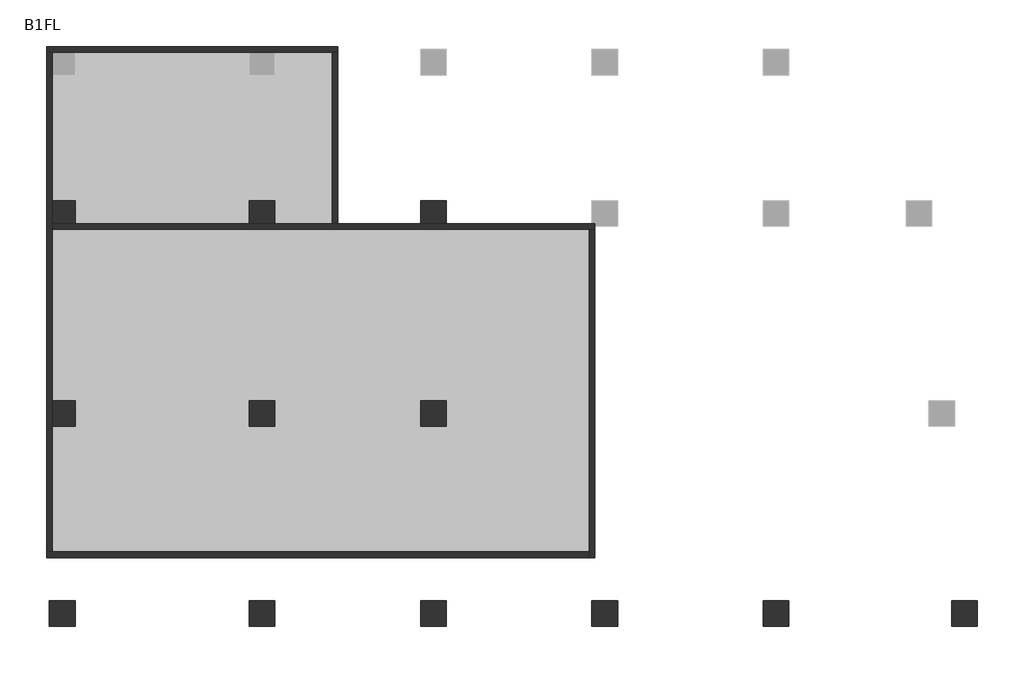
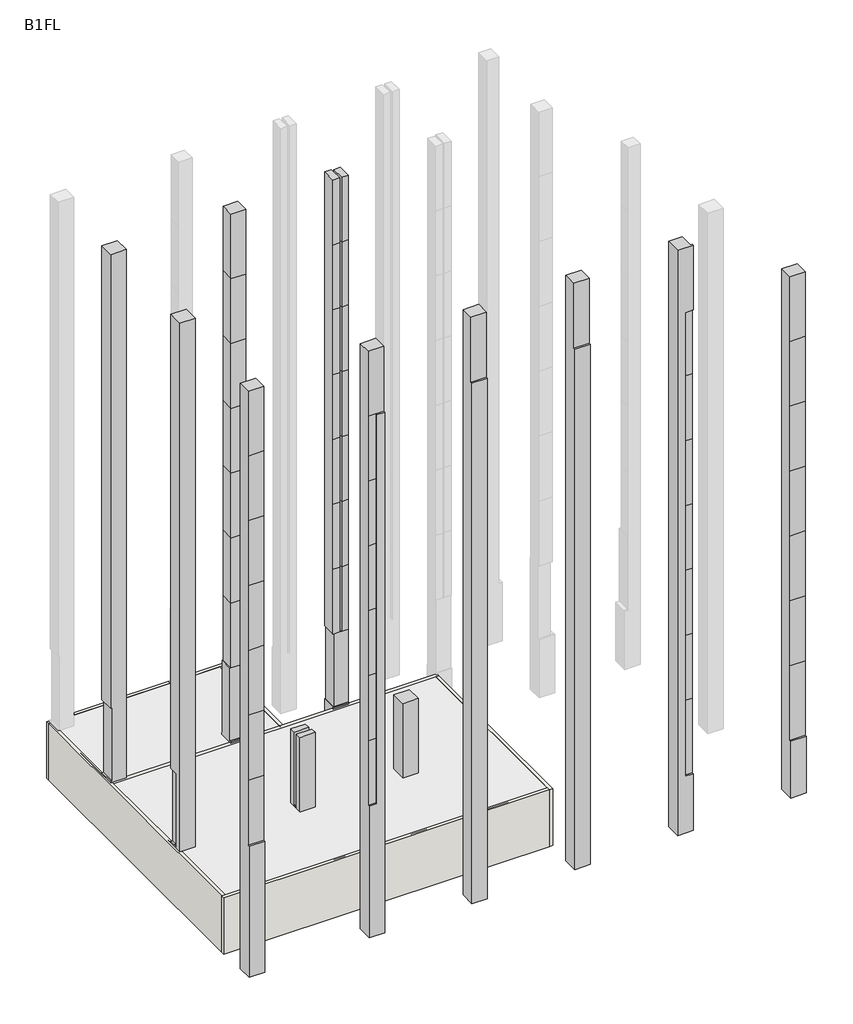
# One storey, part 1 of 2: 12 columns, 6 walls.
"""IFC4 building model written with IfcOpenShell, lengths in millimetres."""

from ifc_helpers import new_model, si_unit, frame, origin, place, context, project, spatial, polyline, outline, extrude, faceted_brep, element, save

model = new_model("IFC4")

# Units and contexts
model_context = context("Model", 3, world=origin())
ifc_project = project(units=[si_unit("LENGTHUNIT", "METRE", prefix="MILLI")], contexts=[model_context])

# Site, building, storey
site = spatial("IfcSite", under=ifc_project)
building = spatial("IfcBuilding", under=site)
storey = spatial("IfcBuildingStorey", under=building, Name="B1FL", Elevation=-3500.0)

# Columns
placement = place(None, origin())
element("IfcColumn", 1, ObjectType="900x900", at=placement, inside=storey, context=model_context, shape_type="Brep", body=[
    faceted_brep([(-27945.9784025, 10449.6868987, 32600.0), (-27945.9784025, 11349.6868987, 32600.0), (-28845.9784025, 11349.6868987, 32600.0), (-28845.9784025, 10449.6868987, 32600.0), (-28745.9784025, 11349.6868987, -3500.0), (-27945.9784025, 11349.6868987, -3500.0), (-27945.9784025, 10549.6868987, -3500.0), (-28745.9784025, 10549.6868987, -3500.0), (-27945.9784025, 10449.6868987, 0.0), (-27945.9784025, 10549.6868987, 0.0), (-27945.9784025, 11349.6868987, 100.0), (-27945.9784025, 11299.6868987, 100.0), (-27945.9784025, 11299.6868987, 4600.0), (-27945.9784025, 11349.6868987, 4600.0), (-28745.9784025, 11349.6868987, 4600.0), (-28845.9784025, 11349.6868987, 4600.0), (-28845.9784025, 10449.6868987, 4600.0), (-28745.9784025, 10449.6868987, 4600.0), (-28745.9784025, 10449.6868987, 100.0), (-28845.9784025, 10449.6868987, 100.0), (-28845.9784025, 10449.6868987, 0.0), (-28745.9784025, 10449.6868987, 0.0), (-28745.9784025, 11299.6868987, 4600.0), (-28745.9784025, 11299.6868987, 100.0), (-28745.9784025, 11349.6868987, 100.0), (-28845.9784025, 11349.6868987, 100.0), (-28845.9784025, 11349.6868987, 0.0), (-28845.9784025, 10549.6868987, 0.0), (-28745.9784025, 11349.6868987, 0.0), (-28745.9784025, 10549.6868987, 0.0)], [[[0, 1, 2, 3]], [[4, 5, 6, 7]], [[1, 0, 8, 9, 6, 5, 10, 11, 12, 13]], [[2, 1, 13, 14, 15]], [[3, 2, 15, 16]], [[0, 3, 16, 17, 18, 19, 20, 21, 8]], [[18, 17, 22, 23]], [[24, 25, 19, 18, 23]], [[15, 14, 22, 17, 16]], [[19, 25, 26, 27, 20]], [[11, 23, 22, 12]], [[23, 11, 10, 24]], [[12, 22, 14, 13]], [[25, 24, 10, 5, 4, 28, 26]], [[28, 4, 7, 29]], [[21, 20, 27, 26, 28, 29]], [[9, 29, 7, 6]], [[29, 9, 8, 21]]]),
])
element("IfcColumn", 2, ObjectType="900x900", at=placement, inside=storey, context=model_context, shape_type="Brep", body=[
    faceted_brep([(-27945.9784025, 3449.6868987, 32600.0), (-27945.9784025, 4349.6868987, 32600.0), (-28845.9784025, 4349.6868987, 32600.0), (-28845.9784025, 3449.6868987, 32600.0), (-27945.9784025, 4349.6868987, -3500.0), (-27945.9784025, 3449.6868987, -3500.0), (-28745.9784025, 3449.6868987, -3500.0), (-28745.9784025, 4349.6868987, -3500.0), (-27945.9784025, 3999.6868987, 4600.0), (-27945.9784025, 3999.6868987, 100.0), (-27945.9784025, 3799.6868987, 100.0), (-27945.9784025, 3799.6868987, 4600.0), (-28745.9784025, 4349.6868987, 0.0), (-28845.9784025, 4349.6868987, 0.0), (-28845.9784025, 4349.6868987, 100.0), (-28745.9784025, 4349.6868987, 100.0), (-28745.9784025, 4349.6868987, 4600.0), (-28845.9784025, 4349.6868987, 4600.0), (-28845.9784025, 3999.6868987, 4600.0), (-28845.9784025, 3799.6868987, 4600.0), (-28845.9784025, 3799.6868987, 100.0), (-28845.9784025, 3999.6868987, 100.0), (-28845.9784025, 3449.6868987, 0.0), (-28745.9784025, 3449.6868987, 0.0), (-28745.9784025, 3999.6868987, 4600.0), (-28745.9784025, 3999.6868987, 100.0)], [[[0, 1, 2, 3]], [[4, 5, 6, 7]], [[1, 0, 5, 4], [8, 9, 10, 11]], [[2, 1, 4, 7, 12, 13, 14, 15, 16, 17]], [[3, 2, 17, 18, 19, 20, 21, 14, 13, 22]], [[0, 3, 22, 23, 6, 5]], [[9, 8, 24, 25]], [[11, 10, 20, 19]], [[10, 9, 25, 21, 20]], [[8, 11, 19, 18, 24]], [[24, 16, 15, 25]], [[25, 15, 14, 21]], [[16, 24, 18, 17]], [[23, 12, 7, 6]], [[12, 23, 22, 13]]]),
])
element("IfcColumn", 3, ObjectType="900x900", at=placement, inside=storey, context=model_context, shape_type="SweptSolid", body=[
    extrude(outline(polyline([(-2650.3131013, -3500.0), (-3550.3131013, -3500.0), (-3550.3131013, 4600.0), (-3450.3131013, 4600.0), (-3450.3131013, 8600.0), (-3450.3131013, 12600.0), (-3450.3131013, 16600.0), (-3450.3131013, 20600.0), (-3450.3131013, 24600.0), (-3450.3131013, 28600.0), (-3450.3131013, 32600.0), (-2650.3131013, 32600.0), (-2650.3131013, -3500.0)])), frame((-28845.9784025, 0.0, 0.0), z_axis=(1.0, 0.0, 0.0), x_axis=(0.0, 1.0, 0.0)), (0.0, 0.0, 1.0), 900.0),
])
element("IfcColumn", 4, ObjectType="900x900", at=placement, inside=storey, context=model_context, shape_type="Brep", body=[
    faceted_brep([(-21795.9784025, 11299.6868987, 32600.0), (-21795.9784025, 10499.6868987, 32600.0), (-20945.9784025, 10499.6868987, 32600.0), (-20945.9784025, 11299.6868987, 32600.0), (-21845.9784025, 11349.6868987, -3500.0), (-20945.9784025, 11349.6868987, -3500.0), (-20945.9784025, 10549.6868987, -3500.0), (-21845.9784025, 10549.6868987, -3500.0), (-20945.9784025, 10499.6868987, 12600.0), (-20945.9784025, 10499.6868987, 8600.0), (-20945.9784025, 10499.6868987, 4600.0), (-20945.9784025, 10524.6868987, 4600.0), (-20945.9784025, 11299.6868987, 4600.0), (-20945.9784025, 11299.6868987, 8600.0), (-20945.9784025, 11299.6868987, 12600.0), (-20945.9784025, 11299.6868987, 16600.0), (-20945.9784025, 11299.6868987, 20600.0), (-20945.9784025, 11299.6868987, 24600.0), (-20945.9784025, 11299.6868987, 28600.0), (-20945.9784025, 10499.6868987, 28600.0), (-20945.9784025, 10499.6868987, 24600.0), (-20945.9784025, 10499.6868987, 20600.0), (-20945.9784025, 10499.6868987, 16600.0), (-21795.9784025, 10499.6868987, 12600.0), (-21795.9784025, 10499.6868987, 8600.0), (-20945.9784025, 10449.6868987, 100.0), (-21845.9784025, 10449.6868987, 100.0), (-21845.9784025, 10449.6868987, 0.0), (-20945.9784025, 10449.6868987, 0.0), (-21795.9784025, 11299.6868987, 12600.0), (-21795.9784025, 11299.6868987, 8600.0), (-21845.9784025, 10524.6868987, 100.0), (-21845.9784025, 10524.6868987, 4600.0), (-21845.9784025, 11299.6868987, 4600.0), (-21845.9784025, 11299.6868987, 100.0), (-21845.9784025, 11349.6868987, 100.0), (-21845.9784025, 10549.6868987, 0.0), (-20945.9784025, 11349.6868987, 100.0), (-21795.9784025, 10499.6868987, 4600.0), (-21795.9784025, 11299.6868987, 4600.0), (-21795.9784025, 10524.6868987, 4600.0), (-20995.9784025, 11299.6868987, 4600.0), (-21795.9784025, 10499.6868987, 16600.0), (-21795.9784025, 11299.6868987, 16600.0), (-21795.9784025, 10499.6868987, 20600.0), (-21795.9784025, 11299.6868987, 20600.0), (-21795.9784025, 10499.6868987, 24600.0), (-21795.9784025, 11299.6868987, 24600.0), (-21795.9784025, 10499.6868987, 28600.0), (-21795.9784025, 11299.6868987, 28600.0), (-20995.9784025, 10524.6868987, 100.0), (-20995.9784025, 10524.6868987, 4600.0), (-20945.9784025, 10524.6868987, 100.0), (-20995.9784025, 11299.6868987, 100.0), (-20945.9784025, 11299.6868987, 100.0), (-20945.9784025, 10549.6868987, 0.0)], [[[0, 1, 2, 3]], [[4, 5, 6, 7]], [[8, 9, 10, 11, 12, 13, 14, 15, 16, 17, 18, 3, 2, 19, 20, 21, 22]], [[9, 8, 23, 24]], [[25, 26, 27, 28]], [[24, 23, 29, 30]], [[31, 32, 33, 34, 35, 4, 7, 36, 27, 26]], [[14, 13, 30, 29]], [[5, 4, 35, 37]], [[10, 9, 24, 38]], [[24, 30, 39, 40, 38]], [[40, 39, 33, 32]], [[13, 12, 41, 39, 30]], [[8, 22, 42, 23]], [[29, 23, 42, 43]], [[15, 14, 29, 43]], [[22, 21, 44, 42]], [[43, 42, 44, 45]], [[16, 15, 43, 45]], [[21, 20, 46, 44]], [[45, 44, 46, 47]], [[17, 16, 45, 47]], [[20, 19, 48, 46]], [[47, 46, 48, 49]], [[18, 17, 47, 49]], [[49, 48, 1, 0]], [[0, 3, 18, 49]], [[2, 1, 48, 19]], [[32, 31, 50, 51, 40]], [[25, 52, 50, 31, 26]], [[11, 10, 38, 40, 51]], [[34, 33, 39, 41, 53]], [[54, 37, 35, 34, 53]], [[50, 53, 41, 51]], [[53, 50, 52, 54]], [[51, 41, 12, 11]], [[52, 25, 28, 55, 6, 5, 37, 54]], [[55, 36, 7, 6]], [[36, 55, 28, 27]]]),
])
element("IfcColumn", 5, ObjectType="900x900", at=placement, inside=storey, context=model_context, shape_type="Brep", body=[
    faceted_brep([(-21845.9784025, 3449.6868987, 4600.0), (-20945.9784025, 3449.6868987, 4600.0), (-20945.9784025, 3799.6868987, 4600.0), (-21845.9784025, 3799.6868987, 4600.0), (-20945.9784025, 3449.6868987, -3500.0), (-21845.9784025, 3449.6868987, -3500.0), (-21845.9784025, 4349.6868987, -3500.0), (-20945.9784025, 4349.6868987, -3500.0), (-20945.9784025, 4349.6868987, 100.0), (-20945.9784025, 3999.6868987, 100.0), (-20945.9784025, 3799.6868987, 100.0), (-21845.9784025, 4349.6868987, 4600.0), (-21020.9784025, 4349.6868987, 4600.0), (-21020.9784025, 4349.6868987, 100.0), (-21845.9784025, 3799.6868987, 100.0), (-21845.9784025, 3999.6868987, 100.0), (-21845.9784025, 3999.6868987, 4600.0), (-21020.9784025, 3999.6868987, 100.0), (-21020.9784025, 3999.6868987, 4600.0)], [[[0, 1, 2, 3]], [[4, 5, 6, 7]], [[4, 7, 8, 9, 10, 2, 1]], [[7, 6, 11, 12, 13, 8]], [[6, 5, 0, 3, 14, 15, 16, 11]], [[1, 0, 5, 4]], [[16, 15, 17, 18]], [[3, 2, 10, 14]], [[10, 9, 17, 15, 14]], [[11, 16, 18, 12]], [[17, 13, 12, 18]], [[13, 17, 9, 8]]]),
])
element("IfcColumn", 6, ObjectType="900x900", at=placement, inside=storey, context=model_context, shape_type="Brep", body=[
    faceted_brep([(-20945.9784025, -2650.3131013, 32600.0), (-21845.9784025, -2650.3131013, 32600.0), (-21845.9784025, -3450.3131013, 32600.0), (-20945.9784025, -3450.3131013, 32600.0), (-20945.9784025, -3550.3131013, -3500.0), (-21845.9784025, -3550.3131013, -3500.0), (-21845.9784025, -2650.3131013, -3500.0), (-20945.9784025, -2650.3131013, -3500.0), (-20945.9784025, -3450.3131013, 28600.0), (-20945.9784025, -3550.3131013, 28600.0), (-21845.9784025, -3550.3131013, 4600.0), (-21845.9784025, -3450.3131013, 4600.0), (-21845.9784025, -3450.3131013, 8600.0), (-21845.9784025, -3450.3131013, 12600.0), (-21845.9784025, -3450.3131013, 16600.0), (-21845.9784025, -3450.3131013, 20600.0), (-21845.9784025, -3450.3131013, 24600.0), (-21845.9784025, -3450.3131013, 28600.0), (-21395.9784025, -3550.3131013, 28600.0), (-21395.9784025, -3550.3131013, 24600.0), (-21395.9784025, -3550.3131013, 20600.0), (-21395.9784025, -3550.3131013, 16600.0), (-21395.9784025, -3550.3131013, 12600.0), (-21395.9784025, -3550.3131013, 8600.0), (-21395.9784025, -3550.3131013, 4600.0), (-21395.9784025, -3450.3131013, 8600.0), (-21395.9784025, -3450.3131013, 12600.0), (-21395.9784025, -3450.3131013, 16600.0), (-21395.9784025, -3450.3131013, 20600.0), (-21395.9784025, -3450.3131013, 24600.0), (-21395.9784025, -3450.3131013, 28600.0), (-21395.9784025, -3450.3131013, 4600.0)], [[[0, 1, 2, 3]], [[4, 5, 6, 7]], [[4, 7, 0, 3, 8, 9]], [[1, 0, 7, 6]], [[6, 5, 10, 11, 12, 13, 14, 15, 16, 17, 2, 1]], [[5, 4, 9, 18, 19, 20, 21, 22, 23, 24, 10]], [[25, 26, 13, 12]], [[26, 25, 23, 22]], [[26, 27, 14, 13]], [[27, 26, 22, 21]], [[27, 28, 15, 14]], [[28, 27, 21, 20]], [[28, 29, 16, 15]], [[29, 28, 20, 19]], [[29, 30, 17, 16]], [[30, 29, 19, 18]], [[31, 25, 12, 11]], [[31, 11, 10, 24]], [[25, 31, 24, 23]], [[30, 8, 3, 2, 17]], [[8, 30, 18, 9]]]),
])
element("IfcColumn", 7, ObjectType="900x900", at=placement, inside=storey, context=model_context, shape_type="Brep", body=[
    faceted_brep([(-15345.9784025, 11299.6868987, 32600.0), (-15345.9784025, 10499.6868987, 32600.0), (-14945.9784025, 10499.6868987, 32600.0), (-14945.9784025, 11299.6868987, 32600.0), (-15845.9784025, 11349.6868987, -3500.0), (-14945.9784025, 11349.6868987, -3500.0), (-14945.9784025, 10549.6868987, -3500.0), (-15845.9784025, 10549.6868987, -3500.0), (-14945.9784025, 10499.6868987, 12600.0), (-14945.9784025, 10499.6868987, 8600.0), (-14945.9784025, 10499.6868987, 4600.0), (-14945.9784025, 10524.6868987, 4600.0), (-14945.9784025, 10524.6868987, 100.0), (-14945.9784025, 10449.6868987, 100.0), (-14945.9784025, 10449.6868987, 0.0), (-14945.9784025, 10549.6868987, 0.0), (-14945.9784025, 11349.6868987, 100.0), (-14945.9784025, 11299.6868987, 100.0), (-14945.9784025, 11299.6868987, 4600.0), (-14945.9784025, 11299.6868987, 8600.0), (-14945.9784025, 11299.6868987, 12600.0), (-14945.9784025, 11299.6868987, 16600.0), (-14945.9784025, 11299.6868987, 20600.0), (-14945.9784025, 11299.6868987, 24600.0), (-14945.9784025, 11299.6868987, 28600.0), (-14945.9784025, 10499.6868987, 28600.0), (-14945.9784025, 10499.6868987, 24600.0), (-14945.9784025, 10499.6868987, 20600.0), (-14945.9784025, 10499.6868987, 16600.0), (-15845.9784025, 10499.6868987, 8600.0), (-15845.9784025, 10499.6868987, 12600.0), (-15845.9784025, 10499.6868987, 16600.0), (-15845.9784025, 10499.6868987, 20600.0), (-15845.9784025, 10499.6868987, 24600.0), (-15845.9784025, 10499.6868987, 28600.0), (-15845.9784025, 10499.6868987, 32600.0), (-15845.9784025, 11349.6868987, 32600.0), (-15845.9784025, 11349.6868987, 4600.0), (-15845.9784025, 11299.6868987, 4600.0), (-15845.9784025, 10524.6868987, 4600.0), (-15845.9784025, 10499.6868987, 4600.0), (-15345.9784025, 10499.6868987, 12600.0), (-15345.9784025, 10499.6868987, 8600.0), (-15845.9784025, 10449.6868987, 100.0), (-15845.9784025, 10449.6868987, 0.0), (-15345.9784025, 11299.6868987, 12600.0), (-15345.9784025, 11299.6868987, 8600.0), (-15445.9784025, 11349.6868987, 8600.0), (-15445.9784025, 11349.6868987, 12600.0), (-15445.9784025, 10499.6868987, 12600.0), (-15445.9784025, 10499.6868987, 8600.0), (-15345.9784025, 10499.6868987, 4600.0), (-15345.9784025, 11299.6868987, 4600.0), (-15345.9784025, 10524.6868987, 4600.0), (-15445.9784025, 11349.6868987, 4600.0), (-15445.9784025, 10499.6868987, 4600.0), (-15445.9784025, 10524.6868987, 4600.0), (-15445.9784025, 11299.6868987, 4600.0), (-15345.9784025, 10499.6868987, 16600.0), (-15345.9784025, 11299.6868987, 16600.0), (-15445.9784025, 11349.6868987, 16600.0), (-15445.9784025, 10499.6868987, 16600.0), (-15345.9784025, 10499.6868987, 20600.0), (-15345.9784025, 11299.6868987, 20600.0), (-15445.9784025, 11349.6868987, 20600.0), (-15445.9784025, 10499.6868987, 20600.0), (-15345.9784025, 10499.6868987, 24600.0), (-15345.9784025, 11299.6868987, 24600.0), (-15445.9784025, 11349.6868987, 24600.0), (-15445.9784025, 10499.6868987, 24600.0), (-15345.9784025, 10499.6868987, 28600.0), (-15345.9784025, 11299.6868987, 28600.0), (-15445.9784025, 11349.6868987, 28600.0), (-15445.9784025, 10499.6868987, 28600.0), (-15445.9784025, 11349.6868987, 32600.0), (-15445.9784025, 10499.6868987, 32600.0), (-15795.9784025, 10524.6868987, 4600.0), (-15795.9784025, 10524.6868987, 100.0), (-15845.9784025, 10524.6868987, 100.0), (-15795.9784025, 11299.6868987, 4600.0), (-15795.9784025, 11299.6868987, 100.0), (-15845.9784025, 11299.6868987, 100.0), (-15845.9784025, 11349.6868987, 100.0), (-15845.9784025, 10549.6868987, 0.0)], [[[0, 1, 2, 3]], [[4, 5, 6, 7]], [[8, 9, 10, 11, 12, 13, 14, 15, 6, 5, 16, 17, 18, 19, 20, 21, 22, 23, 24, 3, 2, 25, 26, 27, 28]], [[29, 30, 31, 32, 33, 34, 35, 36, 37, 38, 39, 40]], [[9, 8, 41, 42]], [[13, 43, 44, 14]], [[42, 41, 45, 46]], [[47, 48, 49, 50]], [[30, 29, 50, 49]], [[20, 19, 46, 45]], [[10, 9, 42, 51]], [[42, 46, 52, 53, 51]], [[54, 47, 50, 55, 56, 57]], [[53, 52, 57, 56]], [[29, 40, 55, 50]], [[19, 18, 52, 46]], [[8, 28, 58, 41]], [[45, 41, 58, 59]], [[48, 60, 61, 49]], [[31, 30, 49, 61]], [[21, 20, 45, 59]], [[28, 27, 62, 58]], [[59, 58, 62, 63]], [[60, 64, 65, 61]], [[32, 31, 61, 65]], [[22, 21, 59, 63]], [[27, 26, 66, 62]], [[63, 62, 66, 67]], [[64, 68, 69, 65]], [[33, 32, 65, 69]], [[23, 22, 63, 67]], [[26, 25, 70, 66]], [[67, 66, 70, 71]], [[68, 72, 73, 69]], [[34, 33, 69, 73]], [[24, 23, 67, 71]], [[71, 70, 1, 0]], [[74, 75, 73, 72]], [[48, 47, 54, 37, 36, 74, 72, 68, 64, 60]], [[0, 3, 24, 71]], [[2, 1, 70, 25]], [[74, 36, 35, 75]], [[75, 35, 34, 73]], [[11, 53, 56, 76, 77, 12]], [[13, 12, 77, 78, 43]], [[40, 39, 76, 56, 55]], [[53, 11, 10, 51]], [[76, 79, 80, 77]], [[77, 80, 81, 78]], [[79, 76, 39, 38]], [[79, 57, 52, 18, 17, 80]], [[80, 17, 16, 82, 81]], [[57, 79, 38, 37, 54]], [[43, 78, 81, 82, 4, 7, 83, 44]], [[5, 4, 82, 16]], [[15, 83, 7, 6]], [[83, 15, 14, 44]]]),
])
element("IfcColumn", 8, ObjectType="900x900", at=placement, inside=storey, context=model_context, shape_type="SweptSolid", body=[
    extrude(outline(polyline([(-14945.9784025, 3449.6868987), (-15845.9784025, 3449.6868987), (-15845.9784025, 4349.6868987), (-14945.9784025, 4349.6868987), (-14945.9784025, 3449.6868987)])), frame((0.0, 0.0, -3500.0), z_axis=(0.0, 0.0, 1.0), x_axis=(1.0, 0.0, 0.0)), (0.0, 0.0, 1.0), 8100.0),
])
element("IfcColumn", 9, ObjectType="900x900", at=placement, inside=storey, context=model_context, shape_type="SweptSolid", body=[
    extrude(outline(polyline([(-2650.3131013, -3500.0), (-3550.3131013, -3500.0), (-3550.3131013, 28600.0), (-3450.3131013, 28600.0), (-3450.3131013, 32600.0), (-2650.3131013, 32600.0), (-2650.3131013, -3500.0)])), frame((-15845.9784025, 0.0, 0.0), z_axis=(1.0, 0.0, 0.0), x_axis=(0.0, 1.0, 0.0)), (0.0, 0.0, 1.0), 900.0),
])
element("IfcColumn", 10, ObjectType="900x900", at=placement, inside=storey, context=model_context, shape_type="SweptSolid", body=[
    extrude(outline(polyline([(-2650.3131013, -3500.0), (-3550.3131013, -3500.0), (-3550.3131013, 28600.0), (-3450.3131013, 28600.0), (-3450.3131013, 32600.0), (-2650.3131013, 32600.0), (-2650.3131013, -3500.0)])), frame((-9845.9784025, 0.0, 0.0), z_axis=(1.0, 0.0, 0.0), x_axis=(0.0, 1.0, 0.0)), (0.0, 0.0, 1.0), 900.0),
])
element("IfcColumn", 11, ObjectType="900x900", at=placement, inside=storey, context=model_context, shape_type="Brep", body=[
    faceted_brep([(-3845.9784025, -2650.3131013, 32600.0), (-3845.9784025, -3550.3131013, 32600.0), (-2945.9784025, -3550.3131013, 32600.0), (-2945.9784025, -3450.3131013, 32600.0), (-3045.9784025, -3450.3131013, 32600.0), (-3045.9784025, -2650.3131013, 32600.0), (-2945.9784025, -3550.3131013, -3500.0), (-3845.9784025, -3550.3131013, -3500.0), (-3845.9784025, -2650.3131013, -3500.0), (-2945.9784025, -2650.3131013, -3500.0), (-2945.9784025, -3550.3131013, 28600.0), (-2945.9784025, -3450.3131013, 28600.0), (-3045.9784025, -2650.3131013, 28600.0), (-2945.9784025, -2650.3131013, 28600.0), (-2945.9784025, -3550.3131013, 0.0), (-3395.9784025, -3550.3131013, 0.0), (-3395.9784025, -3550.3131013, 4600.0), (-3395.9784025, -3550.3131013, 8600.0), (-3395.9784025, -3550.3131013, 12600.0), (-3395.9784025, -3550.3131013, 16600.0), (-3395.9784025, -3550.3131013, 20600.0), (-3395.9784025, -3550.3131013, 24600.0), (-3395.9784025, -3550.3131013, 28600.0), (-3395.9784025, -3450.3131013, 12600.0), (-3395.9784025, -3450.3131013, 8600.0), (-2945.9784025, -3450.3131013, 8600.0), (-2945.9784025, -3450.3131013, 12600.0), (-3395.9784025, -3450.3131013, 16600.0), (-2945.9784025, -3450.3131013, 16600.0), (-3395.9784025, -3450.3131013, 20600.0), (-2945.9784025, -3450.3131013, 20600.0), (-3395.9784025, -3450.3131013, 24600.0), (-2945.9784025, -3450.3131013, 24600.0), (-3395.9784025, -3450.3131013, 28600.0), (-3045.9784025, -3450.3131013, 28600.0), (-3045.9784025, -3450.3131013, 28600.0), (-3395.9784025, -3450.3131013, 0.0), (-2945.9784025, -3450.3131013, 0.0), (-2945.9784025, -3450.3131013, 4600.0), (-3395.9784025, -3450.3131013, 4600.0)], [[[0, 1, 2, 3, 4, 5]], [[6, 7, 8, 9]], [[2, 10, 11, 3]], [[9, 8, 0, 5, 12, 13]], [[1, 0, 8, 7]], [[2, 1, 7, 6, 14, 15, 16, 17, 18, 19, 20, 21, 22, 10]], [[23, 24, 25, 26]], [[27, 23, 26, 28]], [[29, 27, 28, 30]], [[31, 29, 30, 32]], [[33, 31, 32, 11, 34]], [[11, 10, 22, 33, 34]], [[5, 4, 35, 12]], [[11, 13, 12, 35]], [[36, 37, 38, 39]], [[37, 36, 15, 14]], [[24, 23, 18, 17]], [[23, 27, 19, 18]], [[27, 29, 20, 19]], [[29, 31, 21, 20]], [[31, 33, 22, 21]], [[24, 39, 38, 25]], [[39, 24, 17, 16]], [[36, 39, 16, 15]], [[35, 4, 3, 11]], [[6, 9, 13, 11, 32, 30, 28, 26, 25, 38, 37, 14]]]),
])
element("IfcColumn", 12, ObjectType="900x900", at=placement, inside=storey, context=model_context, shape_type="SweptSolid", body=[
    extrude(outline(polyline([(-2650.3131013, -3500.0), (-3550.3131013, -3500.0), (-3550.3131013, 0.0), (-3450.3131013, 0.0), (-3450.3131013, 4600.0), (-3450.3131013, 8600.0), (-3450.3131013, 12600.0), (-3450.3131013, 16600.0), (-3450.3131013, 20600.0), (-3450.3131013, 24600.0), (-3450.3131013, 28600.0), (-2650.3131013, 28600.0), (-2650.3131013, -3500.0)])), frame((2754.0215975, 0.0, 0.0), z_axis=(1.0, 0.0, 0.0), x_axis=(0.0, 1.0, 0.0)), (0.0, 0.0, 1.0), 900.0),
])

# Walls
element("IfcWall", 13, at=placement, inside=storey, context=model_context, shape_type="Brep", body=[
    faceted_brep([(-28945.9784025, 16549.6868987, -3500.0), (-28745.9784025, 16549.6868987, -3500.0), (-27945.9784025, 16549.6868987, -3500.0), (-21845.9784025, 16549.6868987, -3500.0), (-20945.9784025, 16549.6868987, -3500.0), (-18945.9784025, 16549.6868987, -3500.0), (-18745.9784025, 16549.6868987, -3500.0), (-18745.9784025, 16549.6868987, 0.0), (-18945.9784025, 16549.6868987, 0.0), (-20945.9784025, 16549.6868987, 0.0), (-21845.9784025, 16549.6868987, 0.0), (-27945.9784025, 16549.6868987, 0.0), (-28745.9784025, 16549.6868987, 0.0), (-28945.9784025, 16549.6868987, 0.0), (-28945.9784025, 16749.6868987, -3500.0), (-28945.9784025, 16749.6868987, 0.0), (-18745.9784025, 16749.6868987, 0.0), (-18745.9784025, 16749.6868987, -3500.0)], [[[0, 1, 2, 3, 4, 5, 6, 7, 8, 9, 10, 11, 12, 13]], [[14, 15, 16, 17]], [[6, 5, 4, 3, 2, 1, 0, 14, 17]], [[13, 12, 11, 10, 9, 8, 7, 16, 15]], [[7, 6, 17, 16]], [[0, 13, 15, 14]]]),
])
element("IfcWall", 14, at=placement, inside=storey, context=model_context, shape_type="SweptSolid", body=[
    extrude(outline(polyline([(-18945.9784025, 10449.6868987), (-18945.9784025, 16549.6868987), (-18745.9784025, 16549.6868987), (-18745.9784025, 10449.6868987), (-18945.9784025, 10449.6868987)])), frame((0.0, 0.0, -3500.0), z_axis=(0.0, 0.0, 1.0), x_axis=(1.0, 0.0, 0.0)), (0.0, 0.0, 1.0), 3500.0),
])
element("IfcWall", 15, at=placement, inside=storey, context=model_context, shape_type="Brep", body=[
    faceted_brep([(-28845.9784025, 10349.6868987, -3500.0), (-9945.9784025, 10349.6868987, -3500.0), (-9745.9784025, 10349.6868987, -3500.0), (-9745.9784025, 10349.6868987, 0.0), (-9945.9784025, 10349.6868987, 0.0), (-28845.9784025, 10349.6868987, 0.0), (-28845.9784025, 10549.6868987, -3500.0), (-28845.9784025, 10549.6868987, 0.0), (-28745.9784025, 10549.6868987, 0.0), (-27945.9784025, 10549.6868987, 0.0), (-21845.9784025, 10549.6868987, 0.0), (-20945.9784025, 10549.6868987, 0.0), (-15845.9784025, 10549.6868987, 0.0), (-14945.9784025, 10549.6868987, 0.0), (-9845.9784025, 10549.6868987, 0.0), (-9745.9784025, 10549.6868987, 0.0), (-9745.9784025, 10549.6868987, -3500.0), (-9845.9784025, 10549.6868987, -3500.0), (-14945.9784025, 10549.6868987, -3500.0), (-15845.9784025, 10549.6868987, -3500.0), (-20945.9784025, 10549.6868987, -3500.0), (-21845.9784025, 10549.6868987, -3500.0), (-27945.9784025, 10549.6868987, -3500.0), (-28745.9784025, 10549.6868987, -3500.0), (-9745.9784025, 10449.6868987, -3500.0), (-9745.9784025, 10449.6868987, 0.0), (-28845.9784025, 10449.6868987, 0.0)], [[[0, 1, 2, 3, 4, 5]], [[6, 7, 8, 9, 10, 11, 12, 13, 14, 15, 16, 17, 18, 19, 20, 21, 22, 23]], [[2, 1, 0, 6, 23, 22, 21, 20, 19, 18, 17, 16, 24]], [[5, 4, 3, 25, 15, 14, 13, 12, 11, 10, 9, 8, 7, 26]], [[0, 5, 26, 7, 6]], [[3, 2, 24, 16, 15, 25]]]),
])
element("IfcWall", 16, at=placement, inside=storey, context=model_context, shape_type="Brep", body=[
    faceted_brep([(-9945.9784025, 10349.6868987, -3500.0), (-9945.9784025, -950.3131013, -3500.0), (-9945.9784025, -1150.3131013, -3500.0), (-9945.9784025, -1150.3131013, 0.0), (-9945.9784025, -950.3131013, 0.0), (-9945.9784025, 10349.6868987, 0.0), (-9745.9784025, 10349.6868987, -3500.0), (-9745.9784025, 10349.6868987, 0.0), (-9745.9784025, -1150.3131013, 0.0), (-9745.9784025, -1150.3131013, -3500.0)], [[[0, 1, 2, 3, 4, 5]], [[6, 7, 8, 9]], [[2, 1, 0, 6, 9]], [[5, 4, 3, 8, 7]], [[0, 5, 7, 6]], [[3, 2, 9, 8]]]),
])
element("IfcWall", 17, at=placement, inside=storey, context=model_context, shape_type="Brep", body=[
    faceted_brep([(-9945.9784025, -950.3131013, -3500.0), (-28745.9784025, -950.3131013, -3500.0), (-28945.9784025, -950.3131013, -3500.0), (-28945.9784025, -950.3131013, 0.0), (-28745.9784025, -950.3131013, 0.0), (-9945.9784025, -950.3131013, 0.0), (-9945.9784025, -1150.3131013, -3500.0), (-9945.9784025, -1150.3131013, 0.0), (-28945.9784025, -1150.3131013, 0.0), (-28945.9784025, -1150.3131013, -3500.0)], [[[0, 1, 2, 3, 4, 5]], [[6, 7, 8, 9]], [[2, 1, 0, 6, 9]], [[5, 4, 3, 8, 7]], [[0, 5, 7, 6]], [[3, 2, 9, 8]]]),
])
element("IfcWall", 18, at=placement, inside=storey, context=model_context, shape_type="Brep", body=[
    faceted_brep([(-28745.9784025, -950.3131013, -3500.0), (-28745.9784025, 3449.6868987, -3500.0), (-28745.9784025, 4349.6868987, -3500.0), (-28745.9784025, 10549.6868987, -3500.0), (-28745.9784025, 11349.6868987, -3500.0), (-28745.9784025, 15749.6868987, -3500.0), (-28745.9784025, 16549.6868987, -3500.0), (-28745.9784025, 16549.6868987, 0.0), (-28745.9784025, 15749.6868987, 0.0), (-28745.9784025, 11349.6868987, 0.0), (-28745.9784025, 10549.6868987, 0.0), (-28745.9784025, 4349.6868987, 0.0), (-28745.9784025, 3449.6868987, 0.0), (-28745.9784025, -950.3131013, 0.0), (-28945.9784025, -950.3131013, -3500.0), (-28945.9784025, -950.3131013, 0.0), (-28945.9784025, 16549.6868987, 0.0), (-28945.9784025, 16549.6868987, -3500.0)], [[[0, 1, 2, 3, 4, 5, 6, 7, 8, 9, 10, 11, 12, 13]], [[14, 15, 16, 17]], [[6, 5, 4, 3, 2, 1, 0, 14, 17]], [[13, 12, 11, 10, 9, 8, 7, 16, 15]], [[7, 6, 17, 16]], [[0, 13, 15, 14]]]),
])

save(model, "model.ifc")
